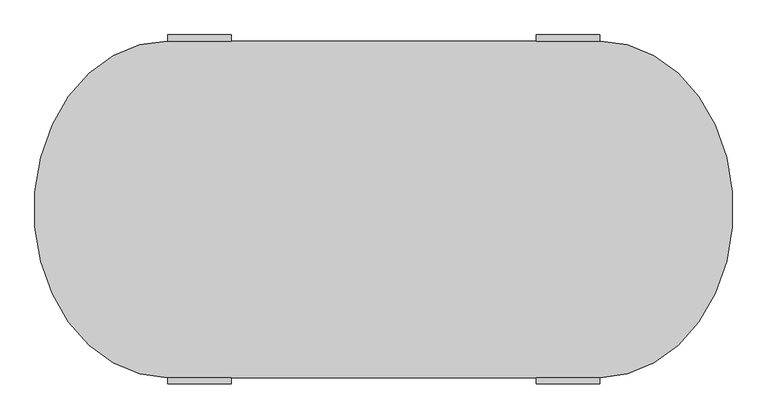
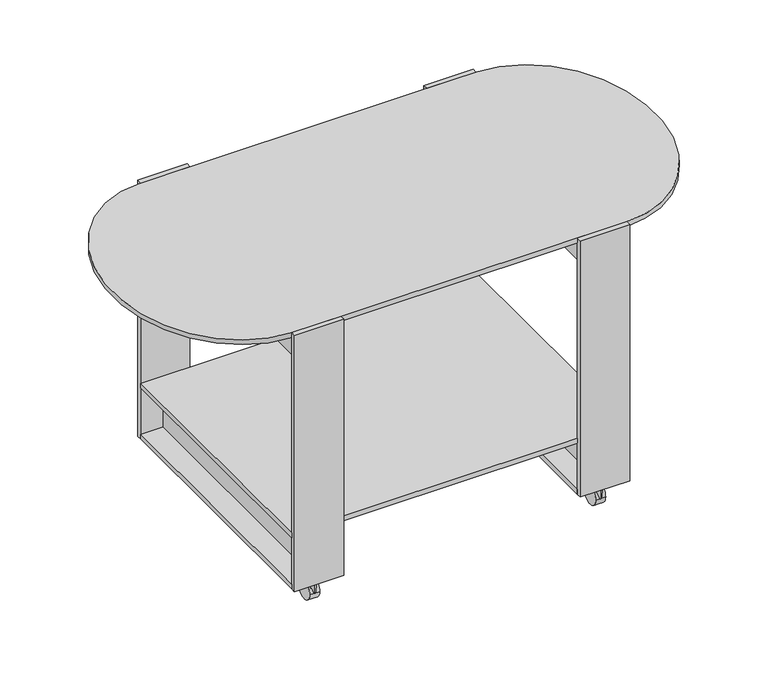
"""IFC4 building model written with IfcOpenShell, lengths in millimetres: furniture geometry."""

from ifc_helpers import new_model, si_unit, point, frame, frame_2d, origin, place, context, project, spatial, polyline, circle_curve, ellipse_curve, trimmed, segment, composite_curve, outline, extrude, source, transform, mapped, element, save
from ifc_brep_helpers import plane_surface, extruded_surface, advanced_brep


def furniture_cbbf32b5(model_context):
    return source(origin(), model_context, "Body", "SolidModel", [
        extrude(outline(composite_curve([segment(trimmed(circle_curve(frame_2d((290.0, -255.0)), 5.0), [point((290.0, -260.0))], [point((290.0, -250.0))], False, "CARTESIAN"), True, "CONTINUOUS"), segment(trimmed(circle_curve(frame_2d((290.0, -255.0)), 5.0), [point((290.0, -250.0))], [point((290.0, -260.0))], False, "CARTESIAN"), True, "CONTINUOUS")], self_intersect=False)), frame((0.0, 0.0, 19.9800644), z_axis=(0.0, 0.0, 1.0), x_axis=(1.0, 0.0, 0.0)), (0.0, 0.0, 1.0), 30.0199356),
        extrude(outline(composite_curve([segment(trimmed(circle_curve(frame_2d((-240.0, 20.0)), 20.0), [point((-260.0, 20.0))], [point((-220.0, 20.0))], False, "CARTESIAN"), True, "CONTINUOUS"), segment(trimmed(circle_curve(frame_2d((-240.0, 20.0)), 20.0), [point((-220.0, 20.0))], [point((-260.0, 20.0))], False, "CARTESIAN"), True, "CONTINUOUS")], self_intersect=False)), frame((280.0, 0.0, 0.0), z_axis=(1.0, 0.0, 0.0), x_axis=(0.0, 1.0, 0.0)), (0.0, 0.0, 1.0), 20.0),
        extrude(outline(composite_curve([segment(trimmed(circle_curve(frame_2d((-290.0, -255.0)), 5.0), [point((-290.0, -260.0))], [point((-290.0, -250.0))], False, "CARTESIAN"), True, "CONTINUOUS"), segment(trimmed(circle_curve(frame_2d((-290.0, -255.0)), 5.0), [point((-290.0, -250.0))], [point((-290.0, -260.0))], False, "CARTESIAN"), True, "CONTINUOUS")], self_intersect=False)), frame((0.0, 0.0, 19.9800644), z_axis=(0.0, 0.0, 1.0), x_axis=(1.0, 0.0, 0.0)), (0.0, 0.0, 1.0), 30.0199356),
        extrude(outline(composite_curve([segment(trimmed(circle_curve(frame_2d((-240.0, 20.0)), 20.0), [point((-260.0, 20.0))], [point((-220.0, 20.0))], False, "CARTESIAN"), True, "CONTINUOUS"), segment(trimmed(circle_curve(frame_2d((-240.0, 20.0)), 20.0), [point((-220.0, 20.0))], [point((-260.0, 20.0))], False, "CARTESIAN"), True, "CONTINUOUS")], self_intersect=False)), frame((-300.0, 0.0, 0.0), z_axis=(1.0, 0.0, 0.0), x_axis=(0.0, 1.0, 0.0)), (0.0, 0.0, 1.0), 20.0),
        extrude(outline(composite_curve([segment(trimmed(circle_curve(frame_2d((290.0, 225.0)), 5.0), [point((290.0, 220.0))], [point((290.0, 230.0))], False, "CARTESIAN"), True, "CONTINUOUS"), segment(trimmed(circle_curve(frame_2d((290.0, 225.0)), 5.0), [point((290.0, 230.0))], [point((290.0, 220.0))], False, "CARTESIAN"), True, "CONTINUOUS")], self_intersect=False)), frame((0.0, 0.0, 19.9800644), z_axis=(0.0, 0.0, 1.0), x_axis=(1.0, 0.0, 0.0)), (0.0, 0.0, 1.0), 30.0199356),
        extrude(outline(composite_curve([segment(trimmed(circle_curve(frame_2d((240.0, 20.0)), 20.0), [point((220.0, 20.0))], [point((260.0, 20.0))], False, "CARTESIAN"), True, "CONTINUOUS"), segment(trimmed(circle_curve(frame_2d((240.0, 20.0)), 20.0), [point((260.0, 20.0))], [point((220.0, 20.0))], False, "CARTESIAN"), True, "CONTINUOUS")], self_intersect=False)), frame((280.0, 0.0, 0.0), z_axis=(1.0, 0.0, 0.0), x_axis=(0.0, 1.0, 0.0)), (0.0, 0.0, 1.0), 20.0),
        extrude(outline(composite_curve([segment(trimmed(circle_curve(frame_2d((-290.0, 225.0)), 5.0), [point((-290.0, 220.0))], [point((-290.0, 230.0))], False, "CARTESIAN"), True, "CONTINUOUS"), segment(trimmed(circle_curve(frame_2d((-290.0, 225.0)), 5.0), [point((-290.0, 230.0))], [point((-290.0, 220.0))], False, "CARTESIAN"), True, "CONTINUOUS")], self_intersect=False)), frame((0.0, 0.0, 19.9800644), z_axis=(0.0, 0.0, 1.0), x_axis=(1.0, 0.0, 0.0)), (0.0, 0.0, 1.0), 30.0199356),
        extrude(outline(composite_curve([segment(trimmed(circle_curve(frame_2d((240.0, 20.0)), 20.0), [point((220.0, 20.0))], [point((260.0, 20.0))], False, "CARTESIAN"), True, "CONTINUOUS"), segment(trimmed(circle_curve(frame_2d((240.0, 20.0)), 20.0), [point((260.0, 20.0))], [point((220.0, 20.0))], False, "CARTESIAN"), True, "CONTINUOUS")], self_intersect=False)), frame((-300.0, 0.0, 0.0), z_axis=(1.0, 0.0, 0.0), x_axis=(0.0, 1.0, 0.0)), (0.0, 0.0, 1.0), 20.0),
        extrude(outline(polyline([(-240.0, -265.0), (-340.0, -265.0), (-340.0, 265.0), (-240.0, 265.0), (-240.0, -265.0)])), frame((0.0, 0.0, 50.0), z_axis=(0.0, 0.0, 1.0), x_axis=(1.0, 0.0, 0.0)), (0.0, 0.0, 1.0), 10.0),
        extrude(outline(polyline([(340.0, -265.0), (240.0, -265.0), (240.0, 265.0), (340.0, 265.0), (340.0, -265.0)])), frame((0.0, 0.0, 50.0), z_axis=(0.0, 0.0, 1.0), x_axis=(1.0, 0.0, 0.0)), (0.0, 0.0, 1.0), 10.0),
        extrude(outline(polyline([(340.0, 265.0), (340.0, -265.0), (-340.0, -265.0), (-340.0, 265.0), (340.0, 265.0)])), frame((0.0, 0.0, 160.0), z_axis=(0.0, 0.0, 1.0), x_axis=(1.0, 0.0, 0.0)), (0.0, 0.0, 1.0), 10.0),
        extrude(outline(polyline([(-285.0, -265.0), (-295.0, -265.0), (-295.0, 265.0), (-285.0, 265.0), (-285.0, -265.0)])), frame((0.0, 0.0, 490.0), z_axis=(0.0, 0.0, 1.0), x_axis=(1.0, 0.0, 0.0)), (0.0, 0.0, 1.0), 100.0),
        extrude(outline(polyline([(-285.0, -265.0), (-295.0, -265.0), (-295.0, 265.0), (-285.0, 265.0), (-285.0, -265.0)])), frame((0.0, 0.0, 60.0), z_axis=(0.0, 0.0, 1.0), x_axis=(1.0, 0.0, 0.0)), (0.0, 0.0, 1.0), 100.0),
        extrude(outline(polyline([(295.0, -265.0), (285.0, -265.0), (285.0, 265.0), (295.0, 265.0), (295.0, -265.0)])), frame((0.0, 0.0, 490.0), z_axis=(0.0, 0.0, 1.0), x_axis=(1.0, 0.0, 0.0)), (0.0, 0.0, 1.0), 100.0),
        extrude(outline(polyline([(295.0, -265.0), (285.0, -265.0), (285.0, 265.0), (295.0, 265.0), (295.0, -265.0)])), frame((0.0, 0.0, 60.0), z_axis=(0.0, 0.0, 1.0), x_axis=(1.0, 0.0, 0.0)), (0.0, 0.0, 1.0), 100.0),
        extrude(outline(polyline([(-240.0, 265.0), (-340.0, 265.0), (-340.0, 275.0), (-240.0, 275.0), (-240.0, 265.0)])), frame((0.0, 0.0, 50.0), z_axis=(0.0, 0.0, 1.0), x_axis=(1.0, 0.0, 0.0)), (0.0, 0.0, 1.0), 550.0),
        extrude(outline(polyline([(240.0, 265.0), (240.0, 275.0), (340.0, 275.0), (340.0, 265.0), (240.0, 265.0)])), frame((0.0, 0.0, 50.0), z_axis=(0.0, 0.0, 1.0), x_axis=(1.0, 0.0, 0.0)), (0.0, 0.0, 1.0), 550.0),
        extrude(outline(polyline([(-240.0, -265.0), (-240.0, -275.0), (-340.0, -275.0), (-340.0, -265.0), (-240.0, -265.0)])), frame((0.0, 0.0, 50.0), z_axis=(0.0, 0.0, 1.0), x_axis=(1.0, 0.0, 0.0)), (0.0, 0.0, 1.0), 550.0),
        extrude(outline(polyline([(240.0, -265.0), (340.0, -265.0), (340.0, -275.0), (240.0, -275.0), (240.0, -265.0)])), frame((0.0, 0.0, 50.0), z_axis=(0.0, 0.0, 1.0), x_axis=(1.0, 0.0, 0.0)), (0.0, 0.0, 1.0), 550.0),
        advanced_brep(
        [(340.0, 265.0, 600.0), (-340.0, 265.0, 600.0), (-340.0, -265.0, 600.0), (340.0, -265.0, 600.0), (340.0, 265.0, 590.0), (340.0, -265.0, 590.0), (-340.0, -265.0, 590.0), (-340.0, 265.0, 590.0)],
        [
            (0, 1),
            (1, 2, ellipse_curve(frame((-340.0, 0.0, 600.0), z_axis=(0.0, 0.0, 1.0), x_axis=(0.0, 1.0, 0.0)), 265.0, 210.0)),
            (2, 3),
            (3, 0, ellipse_curve(frame((340.0, 0.0, 600.0), z_axis=(0.0, 0.0, 1.0), x_axis=(0.0, 1.0, 0.0)), 265.0, 210.0)),
            (4, 5, ellipse_curve(frame((340.0, 0.0, 590.0), z_axis=(0.0, 0.0, -1.0), x_axis=(0.0, 1.0, 0.0)), 265.0, 210.0)),
            (5, 6),
            (6, 7, ellipse_curve(frame((-340.0, 0.0, 590.0), z_axis=(0.0, 0.0, -1.0), x_axis=(0.0, 1.0, 0.0)), 265.0, 210.0)),
            (7, 4),
            (0, 4),
            (7, 1),
            (6, 2),
            (5, 3),
        ],
        [
            plane_surface(frame((-340.0, 265.0, 600.0), z_axis=(0.0, 0.0, 1.0), x_axis=(-1.0, 0.0, 0.0))),
            plane_surface(frame((-340.0, 265.0, 590.0), z_axis=(0.0, 0.0, -1.0), x_axis=(1.0, 0.0, 0.0))),
            plane_surface(frame((340.0, 265.0, 600.0), z_axis=(0.0, 1.0, 0.0), x_axis=(0.0, 0.0, -1.0))),
            extruded_surface(trimmed(ellipse_curve(frame((-340.0, 0.0, 580.0), z_axis=(0.0, 0.0, 1.0), x_axis=(0.0, 1.0, 0.0)), 265.0, 210.0), [point((-340.0, 265.0, 580.0))], [point((-340.0, -265.0, 580.0))], True, "CARTESIAN"), (0.0, 0.0, 10.0), 10.0),
            plane_surface(frame((-340.0, -265.0, 600.0), z_axis=(0.0, -1.0, 0.0), x_axis=(0.0, 0.0, -1.0))),
            extruded_surface(trimmed(ellipse_curve(frame((340.0, 0.0, 580.0), z_axis=(0.0, 0.0, 1.0), x_axis=(0.0, 1.0, 0.0)), 265.0, 210.0), [point((340.0, -265.0, 580.0))], [point((340.0, 265.0, 580.0))], True, "CARTESIAN"), (0.0, 0.0, 10.0), 10.0),
        ],
        [
            (0, [[1, 2, 3, 4]]),
            (1, [[5, 6, 7, 8]]),
            (2, [[-1, 9, -8, 10]]),
            (3, [[-2, -10, -7, 11]]),
            (4, [[-3, -11, -6, 12]]),
            (5, [[-4, -12, -5, -9]]),
        ],
    ),
    ])


if __name__ == "__main__":
    model = new_model("IFC4")
    model_context = context("Model", 3, world=origin())
    ifc_project = project(units=[si_unit("LENGTHUNIT", "METRE", prefix="MILLI")], contexts=[model_context])
    site = spatial("IfcSite", under=ifc_project)
    building = spatial("IfcBuilding", under=site)
    placement = place(None, origin())
    furniture_shape = furniture_cbbf32b5(model_context)
    element("IfcFurniture", 1, at=placement, inside=building, context=model_context, shape_type="MappedRepresentation", body=[
        mapped(furniture_shape, transform((0.0, 0.0, 0.0), x_axis=(1.0, 0.0, 0.0), y_axis=(0.0, 1.0, 0.0), z_axis=(0.0, 0.0, 1.0))),
    ])
    save(model, "model.ifc")
